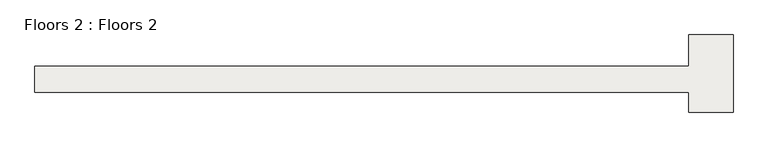
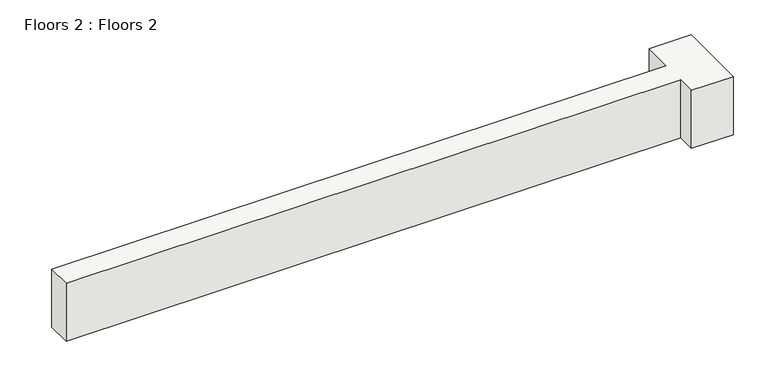
"""IFC4 building model written with IfcOpenShell, lengths in millimetres: slab geometry, Floors 2 : Floors 2."""

from ifc_helpers import new_model, si_unit, frame, origin, place, context, project, spatial, polyline, outline, extrude, source, transform, mapped, element, save


def floors_2_floors_2_f7949160(model_context):
    return source(origin(), model_context, "Body", "SweptSolid", [
        extrude(outline(polyline([(-37308.0000028, 33461.8066132), (-37308.0000028, 35861.8066132), (-33908.0000028, 35861.8066132), (-33908.0000028, 29961.8066132), (-37308.0000028, 29961.8066132), (-37308.0000028, 31461.8066132), (-87308.0000028, 31461.8066132), (-87308.0000028, 33461.8066132), (-37308.0000028, 33461.8066132)])), frame((0.0, 0.0, 15000.0), z_axis=(0.0, 0.0, 1.0), x_axis=(1.0, 0.0, 0.0)), (0.0, 0.0, 1.0), 5000.0),
    ])


if __name__ == "__main__":
    model = new_model("IFC4")
    model_context = context("Model", 3, world=origin())
    ifc_project = project(units=[si_unit("LENGTHUNIT", "METRE", prefix="MILLI")], contexts=[model_context])
    site = spatial("IfcSite", under=ifc_project)
    building = spatial("IfcBuilding", under=site)
    placement = place(None, origin())
    floors_2_floors_2_shape = floors_2_floors_2_f7949160(model_context)
    element("IfcSlab", 1, ObjectType="Floors 2 : Floors 2", at=placement, inside=building, context=model_context, shape_type="MappedRepresentation", body=[
        mapped(floors_2_floors_2_shape, transform((0.0, 0.0, 0.0), x_axis=(1.0, 0.0, 0.0), y_axis=(0.0, 1.0, 0.0), z_axis=(0.0, 0.0, 1.0))),
    ])
    save(model, "model.ifc")
